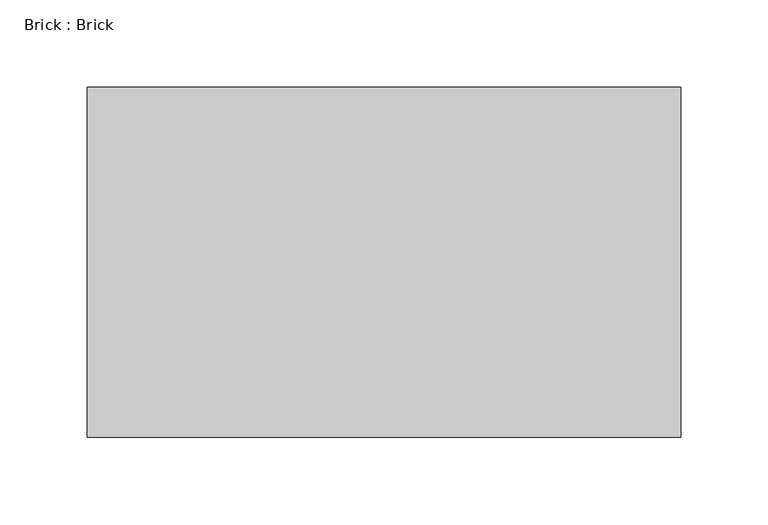
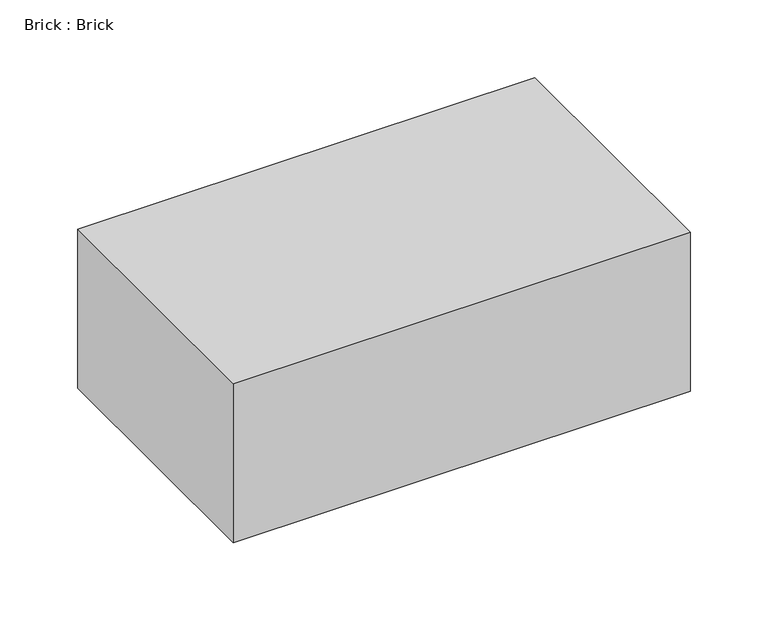
"""IFC4 building model written with IfcOpenShell, lengths in millimetres: proxy geometry, Brick : Brick."""

from ifc_helpers import new_model, si_unit, frame, origin, place, context, project, spatial, polyline, outline, extrude, source, transform, mapped, element, save


def brick_brick_d2aaa16a(model_context):
    return source(origin(), model_context, "Body", "SweptSolid", [
        extrude(outline(polyline([(169.65, 100.0), (169.65, -100.0), (-169.65, -100.0), (-169.65, 100.0), (169.65, 100.0)])), frame((0.0, 0.0, -62.5), z_axis=(0.0, 0.0, 1.0), x_axis=(1.0, 0.0, 0.0)), (0.0, 0.0, 1.0), 125.0),
    ])


if __name__ == "__main__":
    model = new_model("IFC4")
    model_context = context("Model", 3, world=origin())
    ifc_project = project(units=[si_unit("LENGTHUNIT", "METRE", prefix="MILLI")], contexts=[model_context])
    site = spatial("IfcSite", under=ifc_project)
    building = spatial("IfcBuilding", under=site)
    placement = place(None, origin())
    brick_brick_shape = brick_brick_d2aaa16a(model_context)
    element("IfcBuildingElementProxy", 1, Name="Brick : Brick", ObjectType="Brick : Brick", at=placement, inside=building, context=model_context, shape_type="MappedRepresentation", body=[
        mapped(brick_brick_shape, transform((0.0, 0.0, 0.0), x_axis=(1.0, 0.0, 0.0), y_axis=(0.0, 1.0, 0.0), z_axis=(0.0, 0.0, 1.0))),
    ])
    save(model, "model.ifc")
